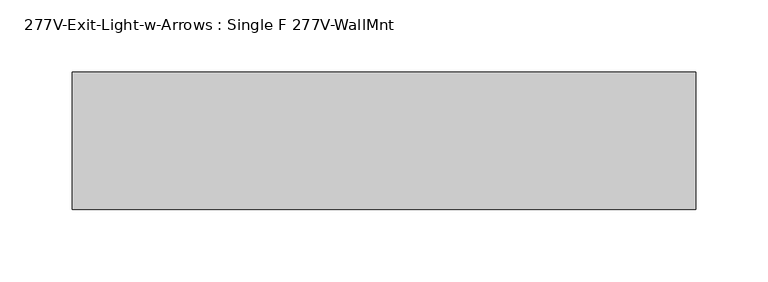
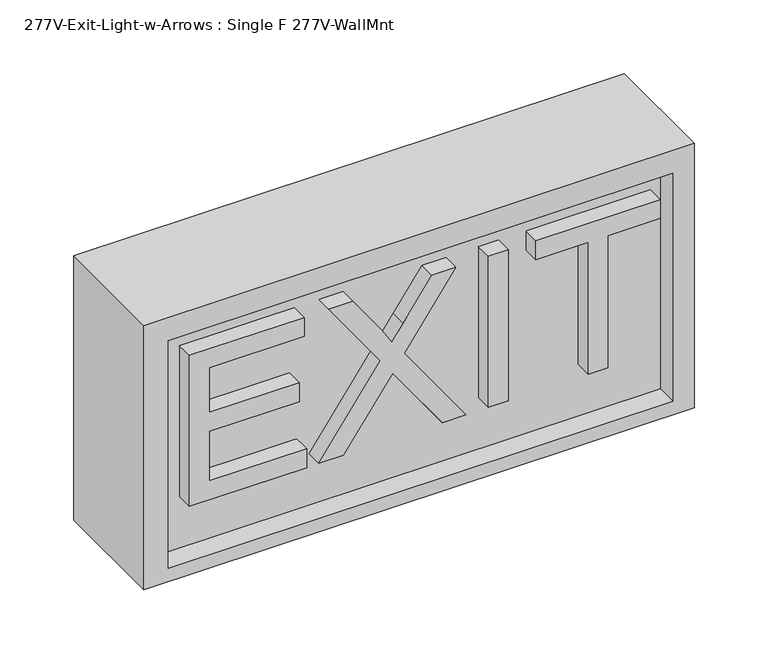
"""IFC4 building model written with IfcOpenShell, lengths in millimetres: light fixture geometry, 277V-Exit-Light-w-Arrows : Single F 277V-WallMnt."""

from ifc_helpers import new_model, si_unit, frame, origin, place, context, project, spatial, polyline, outline, extrude, source, transform, mapped, element, save


def light_fixture_277v_exit_light_w_arrows_single_f_277v_wallmnt_9ad055eb(model_context):
    return source(origin(), model_context, "Body", "SweptSolid", [
        extrude(outline(polyline([(2224.0875, -177.8497127), (2224.0875, -86.0189435), (2239.7182692, -86.0189435), (2239.7182692, -162.2189435), (2280.7490385, -162.2189435), (2280.7490385, -91.880482), (2296.3798077, -91.880482), (2296.3798077, -162.2189435), (2333.5028846, -162.2189435), (2333.5028846, -87.9727896), (2349.1336538, -87.9727896), (2349.1336538, -177.8497127), (2224.0875, -177.8497127)])), frame((0.0, -44.45, 0.0), z_axis=(0.0, 1.0, 0.0), x_axis=(0.0, 0.0, 1.0)), (0.0, 0.0, 1.0), 19.05),
        extrude(outline(polyline([(2224.0875, -76.2497127), (2224.0875, -57.2302416), (2268.4764423, -25.8771166), (2278.7951923, -18.5196646), (2269.3923077, -11.8338473), (2224.0875, 20.2824988), (2224.0875, 39.0272104), (2292.0447115, -9.1778377), (2349.1336538, 31.2118257), (2349.1336538, 12.1923546), (2317.3225962, -10.307405), (2304.6225962, -19.2828858), (2317.1088942, -26.9456262), (2349.1336538, -49.6896166), (2349.1336538, -68.4343281), (2292.2278846, -28.0446646), (2224.0875, -76.2497127)])), frame((0.0, -44.45, 0.0), z_axis=(0.0, 1.0, 0.0), x_axis=(0.0, 0.0, 1.0)), (0.0, 0.0, 1.0), 19.05),
        extrude(outline(polyline([(72.242595, -44.45), (56.6118257, -44.45), (56.6118257, -25.4), (72.242595, -25.4), (72.242595, -44.45)])), frame((0.0, 0.0, 2224.0875), z_axis=(0.0, 0.0, 1.0), x_axis=(1.0, 0.0, 0.0)), (0.0, 0.0, 1.0), 125.0461538),
        extrude(outline(polyline([(2224.0875, 134.7656719), (2224.0875, 150.3964411), (2333.5028846, 150.3964411), (2333.5028846, 191.4272104), (2349.1336538, 191.4272104), (2349.1336538, 93.7349027), (2333.5028846, 93.7349027), (2333.5028846, 134.7656719), (2224.0875, 134.7656719)])), frame((0.0, -44.45, 0.0), z_axis=(0.0, 1.0, 0.0), x_axis=(0.0, 0.0, 1.0)), (0.0, 0.0, 1.0), 19.05),
        extrude(outline(polyline([(198.9763529, -31.3290002), (-196.85, -31.3290002), (-196.85, 28.515057), (198.9763529, 28.515057), (198.9763529, -31.3290002)])), frame((0.0, 0.0, 2181.8197697), z_axis=(0.0, 0.0, 1.0), x_axis=(1.0, 0.0, 0.0)), (0.0, 0.0, 1.0), 188.6765339),
        extrude(outline(polyline([(2389.5463036, 215.9), (2389.5463036, -215.9), (2170.4144612, -215.9), (2170.4144612, 215.9), (2389.5463036, 215.9)]), holes=[polyline([(2370.4963036, -196.85), (2370.4963036, 198.9763529), (2181.8197697, 198.9763529), (2181.8197697, -196.85), (2370.4963036, -196.85)])]), frame((0.0, -48.3806266, 0.0), z_axis=(0.0, 1.0, 0.0), x_axis=(0.0, 0.0, 1.0)), (0.0, 0.0, 1.0), 95.3443633),
    ])


if __name__ == "__main__":
    model = new_model("IFC4")
    model_context = context("Model", 3, world=origin())
    ifc_project = project(units=[si_unit("LENGTHUNIT", "METRE", prefix="MILLI")], contexts=[model_context])
    site = spatial("IfcSite", under=ifc_project)
    building = spatial("IfcBuilding", under=site)
    placement = place(None, origin())
    light_fixture_277v_exit_light_w_arrows_single_f_277v_wallmnt_shape = light_fixture_277v_exit_light_w_arrows_single_f_277v_wallmnt_9ad055eb(model_context)
    element("IfcLightFixture", 1, ObjectType="277V-Exit-Light-w-Arrows : Single F 277V-WallMnt", at=placement, inside=building, context=model_context, shape_type="MappedRepresentation", body=[
        mapped(light_fixture_277v_exit_light_w_arrows_single_f_277v_wallmnt_shape, transform((0.0, 0.0, 0.0), x_axis=(1.0, 0.0, 0.0), y_axis=(0.0, 1.0, 0.0), z_axis=(0.0, 0.0, 1.0))),
    ])
    save(model, "model.ifc")
